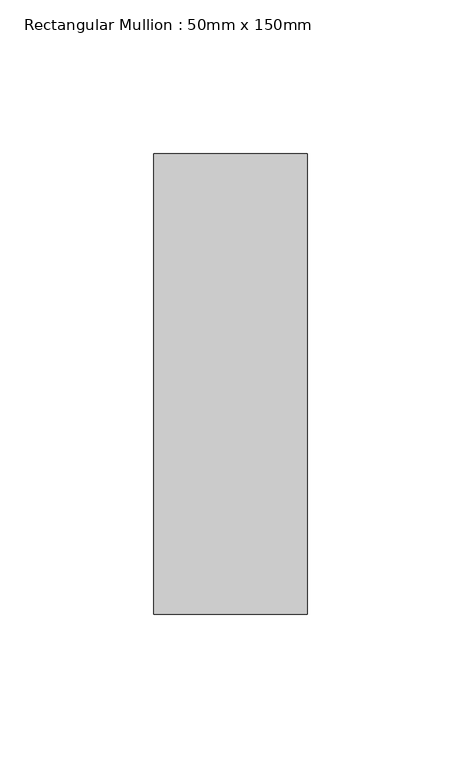
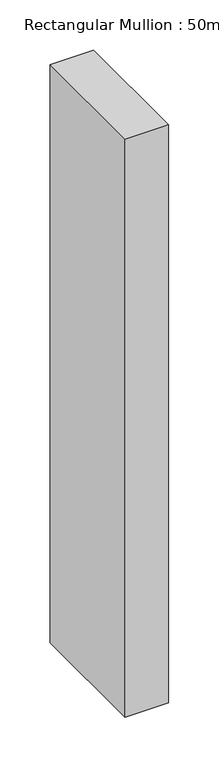
"""IFC4 building model written with IfcOpenShell, lengths in millimetres: member geometry, Rectangular Mullion : 50mm x 150mm."""

from ifc_helpers import new_model, si_unit, frame, origin, place, context, project, spatial, polyline, outline, extrude, source, transform, mapped, element, save


def rectangular_mullion_50mm_x_150mm_60fdffd1(model_context):
    return source(origin(), model_context, "Body", "SweptSolid", [
        extrude(outline(polyline([(0.0, 75.0), (0.0, -75.0), (-50.0, -75.0), (-50.0, 75.0), (0.0, 75.0)])), frame((0.0, 0.0, -703.7418053), z_axis=(0.0, 0.0, 1.0), x_axis=(1.0, 0.0, 0.0)), (0.0, 0.0, 1.0), 703.7418053),
    ])


if __name__ == "__main__":
    model = new_model("IFC4")
    model_context = context("Model", 3, world=origin())
    ifc_project = project(units=[si_unit("LENGTHUNIT", "METRE", prefix="MILLI")], contexts=[model_context])
    site = spatial("IfcSite", under=ifc_project)
    building = spatial("IfcBuilding", under=site)
    placement = place(None, origin())
    rectangular_mullion_50mm_x_150mm_shape = rectangular_mullion_50mm_x_150mm_60fdffd1(model_context)
    element("IfcMember", 1, ObjectType="Rectangular Mullion : 50mm x 150mm", at=placement, inside=building, context=model_context, shape_type="MappedRepresentation", body=[
        mapped(rectangular_mullion_50mm_x_150mm_shape, transform((0.0, 0.0, 0.0), x_axis=(1.0, 0.0, 0.0), y_axis=(0.0, 1.0, 0.0), z_axis=(0.0, 0.0, 1.0))),
    ])
    save(model, "model.ifc")
